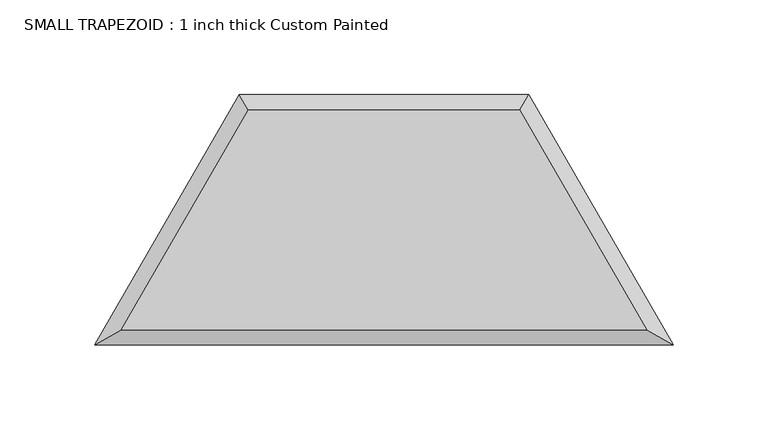
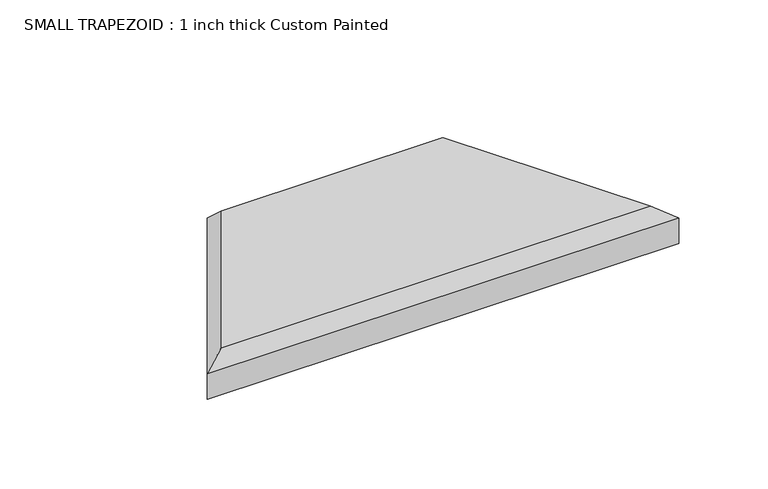
"""IFC4 building model written with IfcOpenShell, lengths in millimetres: proxy geometry, SMALL TRAPEZOID : 1 inch thick Custom Painted."""

from ifc_helpers import new_model, si_unit, origin, place, context, project, spatial, faceted_brep, source, transform, mapped, element, save


def small_trapezoid_1_inch_thick_custom_painted_e4bf3200(model_context):
    return source(origin(), model_context, "Body", "Brep", [
        faceted_brep([(138.5418615, 8.001, 25.4), (71.5806205, 123.9812715, 25.4), (-71.5806205, 123.9812715, 25.4), (-138.5418615, 8.001, 25.4), (76.2, 131.9822715, 0.0), (152.4, 0.0, 0.0), (-152.4, 0.0, 0.0), (-76.2, 131.9822715, 0.0), (-76.2, 131.9822715, 17.399), (76.2, 131.9822715, 17.399), (-152.4, 0.0, 17.399), (152.4, 0.0, 17.399)], [[[0, 1, 2, 3]], [[4, 5, 6, 7]], [[4, 7, 8, 9]], [[7, 6, 10, 8]], [[5, 4, 9, 11]], [[9, 1, 0, 11]], [[1, 9, 8, 2]], [[2, 8, 10, 3]], [[6, 5, 11, 10]], [[11, 0, 3, 10]]]),
    ])


if __name__ == "__main__":
    model = new_model("IFC4")
    model_context = context("Model", 3, world=origin())
    ifc_project = project(units=[si_unit("LENGTHUNIT", "METRE", prefix="MILLI")], contexts=[model_context])
    site = spatial("IfcSite", under=ifc_project)
    building = spatial("IfcBuilding", under=site)
    placement = place(None, origin())
    small_trapezoid_1_inch_thick_custom_painted_shape = small_trapezoid_1_inch_thick_custom_painted_e4bf3200(model_context)
    element("IfcBuildingElementProxy", 1, Name="SMALL TRAPEZOID : 1 inch thick Custom Painted", ObjectType="SMALL TRAPEZOID : 1 inch thick Custom Painted", at=placement, inside=building, context=model_context, shape_type="MappedRepresentation", body=[
        mapped(small_trapezoid_1_inch_thick_custom_painted_shape, transform((0.0, 0.0, 0.0), x_axis=(1.0, 0.0, 0.0), y_axis=(0.0, 1.0, 0.0), z_axis=(0.0, 0.0, 1.0))),
    ])
    save(model, "model.ifc")
